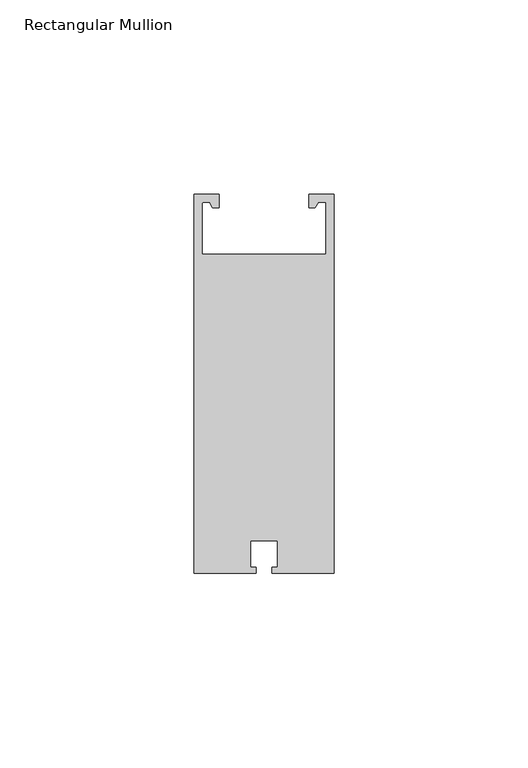
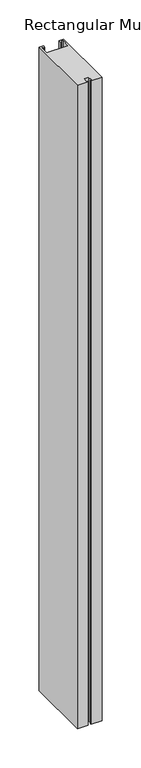
"""IFC4 building model written with IfcOpenShell, lengths in millimetres: member geometry, Rectangular Mullion."""

from ifc_helpers import new_model, si_unit, point, frame, frame_2d, origin, place, context, project, spatial, polyline, circle_curve, trimmed, segment, composite_curve, outline, extrude, source, transform, mapped, element, save


def rectangular_mullion_7804b10d(model_context):
    return source(origin(), model_context, "Body", "SweptSolid", [
        extrude(outline(composite_curve([segment(polyline([(-34.0, 94.964423), (-34.0, 82.064423), (-2.0, 82.064423), (-2.0, 95.564423), (-4.0, 95.564423), (-4.8206116, 94.143082), (-6.4, 94.143082), (-6.4, 97.564423), (0.0, 97.564423), (0.0, 0.064423), (-15.95, 0.064423), (-15.95, 1.564423), (-14.5, 1.564423), (-14.5, 8.364423), (-21.5, 8.364423), (-21.5, 1.564423), (-20.05, 1.564423), (-20.05, 0.064423), (-36.0, 0.064423), (-36.0, 97.564423), (-29.6, 97.564423), (-29.6, 94.143082), (-31.1793884, 94.143082), (-32.0, 95.564423), (-33.4, 95.564423)]), True, "CONTINUOUS"), segment(trimmed(circle_curve(frame_2d((-33.4, 94.964423)), 0.6), [point((-33.4, 95.564423))], [point((-34.0, 94.964423))], True, "CARTESIAN"), True, "CONTINUOUS")], self_intersect=False)), frame((0.0, 0.0, -1000.0), z_axis=(0.0, 0.0, 1.0), x_axis=(1.0, 0.0, 0.0)), (0.0, 0.0, 1.0), 1000.0),
    ])


if __name__ == "__main__":
    model = new_model("IFC4")
    model_context = context("Model", 3, world=origin())
    ifc_project = project(units=[si_unit("LENGTHUNIT", "METRE", prefix="MILLI")], contexts=[model_context])
    site = spatial("IfcSite", under=ifc_project)
    building = spatial("IfcBuilding", under=site)
    placement = place(None, origin())
    rectangular_mullion_shape = rectangular_mullion_7804b10d(model_context)
    element("IfcMember", 1, ObjectType="Rectangular Mullion", at=placement, inside=building, context=model_context, shape_type="MappedRepresentation", body=[
        mapped(rectangular_mullion_shape, transform((0.0, 0.0, 0.0), x_axis=(1.0, 0.0, 0.0), y_axis=(0.0, 1.0, 0.0), z_axis=(0.0, 0.0, 1.0))),
    ])
    save(model, "model.ifc")
